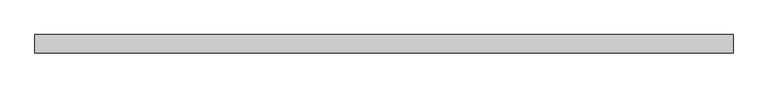
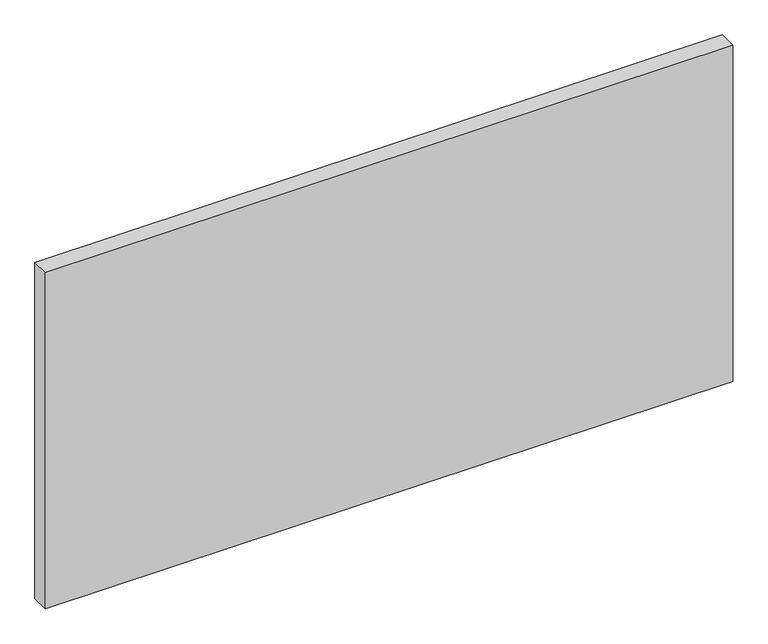
"""IFC4 building model written with IfcOpenShell, lengths in millimetres: plate geometry."""

from ifc_helpers import new_model, si_unit, origin, origin_with_axes, place, context, project, spatial, polyline, outline, extrude, source, transform, mapped, element, save


def plate_98d79584(model_context):
    return source(origin(), model_context, "Body", "SweptSolid", [
        extrude(outline(polyline([(670.9320652, -17.5), (-670.9320652, -17.5), (-670.9320652, 17.5), (670.9320652, 17.5), (670.9320652, -17.5)])), origin_with_axes(), (0.0, 0.0, 1.0), 693.8125),
    ])


if __name__ == "__main__":
    model = new_model("IFC4")
    model_context = context("Model", 3, world=origin())
    ifc_project = project(units=[si_unit("LENGTHUNIT", "METRE", prefix="MILLI")], contexts=[model_context])
    site = spatial("IfcSite", under=ifc_project)
    building = spatial("IfcBuilding", under=site)
    placement = place(None, origin())
    plate_shape = plate_98d79584(model_context)
    element("IfcPlate", 1, at=placement, inside=building, context=model_context, shape_type="MappedRepresentation", body=[
        mapped(plate_shape, transform((0.0, 0.0, 0.0), x_axis=(1.0, 0.0, 0.0), y_axis=(0.0, 1.0, 0.0), z_axis=(0.0, 0.0, 1.0))),
    ])
    save(model, "model.ifc")
